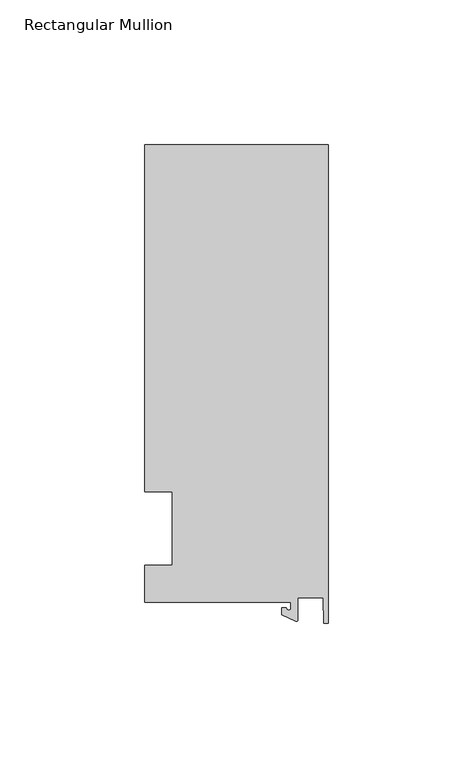
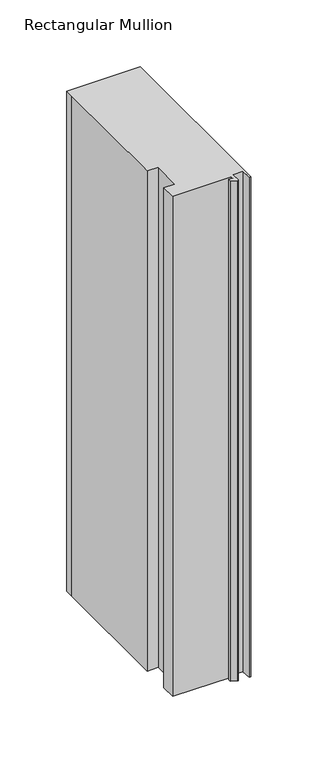
"""IFC4 building model written with IfcOpenShell, lengths in millimetres: member geometry, Rectangular Mullion."""

from ifc_helpers import new_model, si_unit, point, frame, frame_2d, origin, place, context, project, spatial, polyline, circle_curve, trimmed, segment, composite_curve, outline, extrude, source, transform, mapped, element, save


def rectangular_mullion_6d761fef(model_context):
    return source(origin(), model_context, "Body", "SweptSolid", [
        extrude(outline(composite_curve([segment(polyline([(-12.8216721, -25.5984375), (-63.5, -25.5984375), (-63.5, -12.7), (-53.975, -12.7), (-53.975, 12.7), (-63.5, 12.7), (-63.5, 125.075512), (-63.5, 132.822512), (0.0, 132.822512), (0.0, -32.810012), (-1.5566453, -32.810012), (-1.7144124, -23.9227662), (-10.4340721, -23.9227662), (-10.4340721, -31.6795354)]), True, "CONTINUOUS"), segment(trimmed(circle_curve(frame_2d((-10.9420721, -31.6795354)), 0.508), [point((-10.4340721, -31.6795354))], [point((-11.1567622, -32.1399398))], False, "CARTESIAN"), True, "CONTINUOUS"), segment(polyline([(-11.1567622, -32.1399398), (-15.9966721, -29.8830527), (-15.9966721, -27.5208534), (-14.4091721, -27.5208534)]), True, "CONTINUOUS"), segment(trimmed(circle_curve(frame_2d((-13.6154221, -27.5208534)), 0.79375), [point((-14.4091721, -27.5208534))], [point((-12.8216721, -27.5208534))], True, "CARTESIAN"), True, "CONTINUOUS"), segment(polyline([(-12.8216721, -27.5208534), (-12.8216721, -25.5984375)]), True, "CONTINUOUS")], self_intersect=False)), frame((0.0, 0.0, -457.2), z_axis=(0.0, 0.0, 1.0), x_axis=(1.0, 0.0, 0.0)), (0.0, 0.0, 1.0), 457.2),
    ])


if __name__ == "__main__":
    model = new_model("IFC4")
    model_context = context("Model", 3, world=origin())
    ifc_project = project(units=[si_unit("LENGTHUNIT", "METRE", prefix="MILLI")], contexts=[model_context])
    site = spatial("IfcSite", under=ifc_project)
    building = spatial("IfcBuilding", under=site)
    placement = place(None, origin())
    rectangular_mullion_shape = rectangular_mullion_6d761fef(model_context)
    element("IfcMember", 1, ObjectType="Rectangular Mullion", at=placement, inside=building, context=model_context, shape_type="MappedRepresentation", body=[
        mapped(rectangular_mullion_shape, transform((0.0, 0.0, 0.0), x_axis=(1.0, 0.0, 0.0), y_axis=(0.0, 1.0, 0.0), z_axis=(0.0, 0.0, 1.0))),
    ])
    save(model, "model.ifc")
